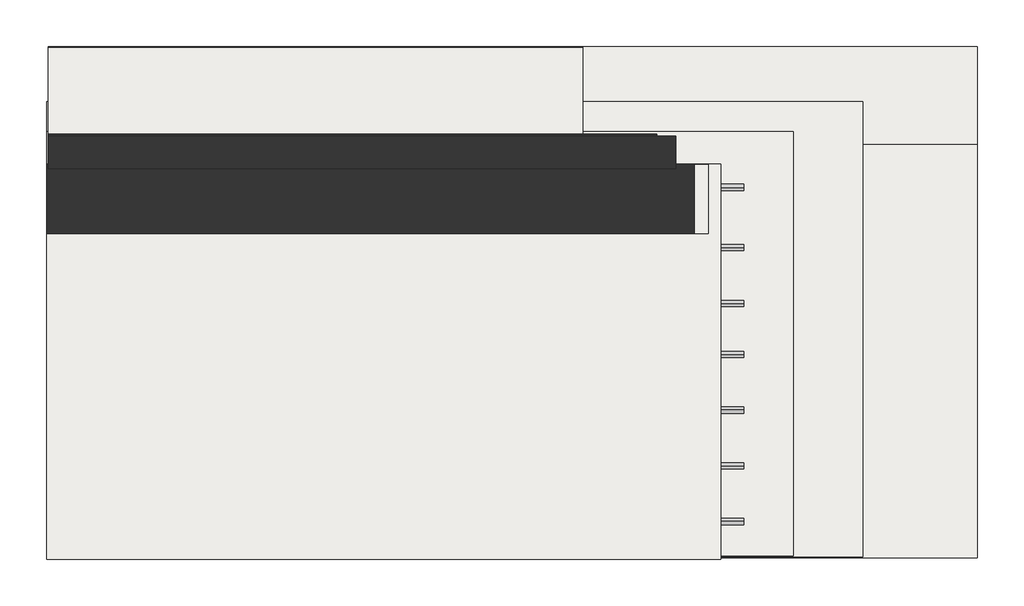
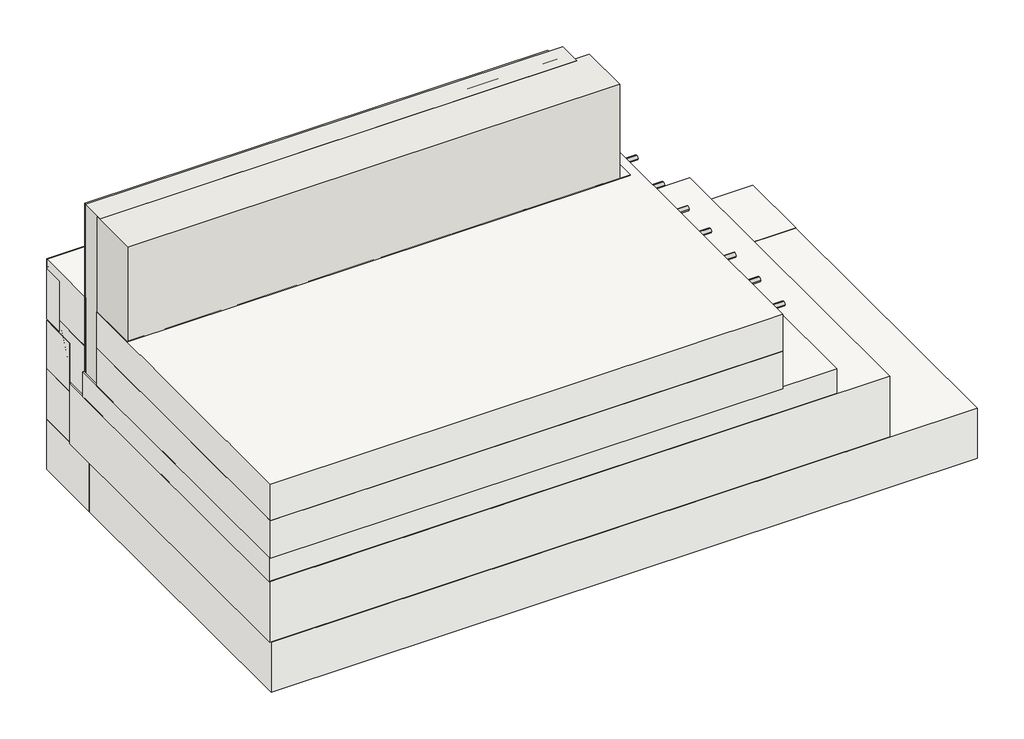
# One storey: 12 slabs, 7 pipe segments, 3 walls, 1 covering.
"""IFC4 building model written with IfcOpenShell, lengths in millimetres."""

from ifc_helpers import new_model, si_unit, point, frame, frame_2d, origin, origin_with_axes, place, context, project, spatial, polyline, circle_curve, trimmed, segment, composite_curve, outline, extrude, faceted_brep, element, save
from ifc_brep_helpers import plane_surface, spline_surface, advanced_brep

model = new_model("IFC4")

# Units and contexts
model_context = context("Model", 3, world=origin())
ifc_project = project(units=[si_unit("LENGTHUNIT", "METRE", prefix="MILLI")], contexts=[model_context])

# Site, building, storey
site = spatial("IfcSite", under=ifc_project)
building = spatial("IfcBuilding", under=site)
storey = spatial("IfcBuildingStorey", under=building, Elevation=0.0)

# Covering
placement = place(None, origin())
element("IfcCovering", 1, at=placement, inside=storey, context=model_context, shape_type="SweptSolid", body=[
    extrude(outline(polyline([(-19912.9443313, 1078.3877949), (-19912.9443313, 1375.4120749), (-17072.9443313, 1375.4120749), (-17072.9443313, 1078.3877949), (-19912.9443313, 1078.3877949)])), frame((0.0, 0.0, 902.0), z_axis=(0.0, 0.0, 1.0), x_axis=(1.0, 0.0, 0.0)), (0.0, 0.0, 1.0), 57.0),
])

# Pipe segments
element("IfcPipeSegment", 2, at=placement, inside=storey, context=model_context, shape_type="SweptSolid", body=[
    extrude(outline(composite_curve([segment(trimmed(circle_curve(frame_2d((-161.9282434, 886.7937383)), 13.335), [point((-148.5932434, 886.7937383))], [point((-161.9282434, 873.4587383))], False, "CARTESIAN"), True, "CONTINUOUS"), segment(trimmed(circle_curve(frame_2d((-161.9282434, 886.7937383)), 13.335), [point((-161.9282434, 873.4587383))], [point((-175.2632434, 886.7937383))], False, "CARTESIAN"), True, "CONTINUOUS"), segment(trimmed(circle_curve(frame_2d((-161.9282434, 886.7937383)), 13.335), [point((-175.2632434, 886.7937383))], [point((-161.9282434, 900.1287383))], False, "CARTESIAN"), True, "CONTINUOUS"), segment(trimmed(circle_curve(frame_2d((-161.9282434, 886.7937383)), 13.335), [point((-161.9282434, 900.1287383))], [point((-148.5932434, 886.7937383))], False, "CARTESIAN"), True, "CONTINUOUS")], self_intersect=False)), frame((-17139.8329252, 0.0, 0.0), z_axis=(1.0, 0.0, 0.0), x_axis=(0.0, 1.0, 0.0)), (0.0, 0.0, 1.0), 220.0),
])
element("IfcPipeSegment", 3, at=placement, inside=storey, context=model_context, shape_type="SweptSolid", body=[
    extrude(outline(composite_curve([segment(trimmed(circle_curve(frame_2d((78.0717566, 886.7937383)), 13.335), [point((91.4067566, 886.7937383))], [point((78.0717566, 873.4587383))], False, "CARTESIAN"), True, "CONTINUOUS"), segment(trimmed(circle_curve(frame_2d((78.0717566, 886.7937383)), 13.335), [point((78.0717566, 873.4587383))], [point((64.7367566, 886.7937383))], False, "CARTESIAN"), True, "CONTINUOUS"), segment(trimmed(circle_curve(frame_2d((78.0717566, 886.7937383)), 13.335), [point((64.7367566, 886.7937383))], [point((78.0717566, 900.1287383))], False, "CARTESIAN"), True, "CONTINUOUS"), segment(trimmed(circle_curve(frame_2d((78.0717566, 886.7937383)), 13.335), [point((78.0717566, 900.1287383))], [point((91.4067566, 886.7937383))], False, "CARTESIAN"), True, "CONTINUOUS")], self_intersect=False)), frame((-17139.8329252, 0.0, 0.0), z_axis=(1.0, 0.0, 0.0), x_axis=(0.0, 1.0, 0.0)), (0.0, 0.0, 1.0), 220.0),
])
element("IfcPipeSegment", 4, at=placement, inside=storey, context=model_context, shape_type="SweptSolid", body=[
    extrude(outline(composite_curve([segment(trimmed(circle_curve(frame_2d((318.0717566, 886.7937383)), 13.335), [point((331.4067566, 886.7937383))], [point((318.0717566, 873.4587383))], False, "CARTESIAN"), True, "CONTINUOUS"), segment(trimmed(circle_curve(frame_2d((318.0717566, 886.7937383)), 13.335), [point((318.0717566, 873.4587383))], [point((304.7367566, 886.7937383))], False, "CARTESIAN"), True, "CONTINUOUS"), segment(trimmed(circle_curve(frame_2d((318.0717566, 886.7937383)), 13.335), [point((304.7367566, 886.7937383))], [point((318.0717566, 900.1287383))], False, "CARTESIAN"), True, "CONTINUOUS"), segment(trimmed(circle_curve(frame_2d((318.0717566, 886.7937383)), 13.335), [point((318.0717566, 900.1287383))], [point((331.4067566, 886.7937383))], False, "CARTESIAN"), True, "CONTINUOUS")], self_intersect=False)), frame((-17139.8329252, 0.0, 0.0), z_axis=(1.0, 0.0, 0.0), x_axis=(0.0, 1.0, 0.0)), (0.0, 0.0, 1.0), 220.0),
])
element("IfcPipeSegment", 5, at=placement, inside=storey, context=model_context, shape_type="SweptSolid", body=[
    extrude(outline(composite_curve([segment(trimmed(circle_curve(frame_2d((558.0717566, 886.7937383)), 13.335), [point((571.4067566, 886.7937383))], [point((558.0717566, 873.4587383))], False, "CARTESIAN"), True, "CONTINUOUS"), segment(trimmed(circle_curve(frame_2d((558.0717566, 886.7937383)), 13.335), [point((558.0717566, 873.4587383))], [point((544.7367566, 886.7937383))], False, "CARTESIAN"), True, "CONTINUOUS"), segment(trimmed(circle_curve(frame_2d((558.0717566, 886.7937383)), 13.335), [point((544.7367566, 886.7937383))], [point((558.0717566, 900.1287383))], False, "CARTESIAN"), True, "CONTINUOUS"), segment(trimmed(circle_curve(frame_2d((558.0717566, 886.7937383)), 13.335), [point((558.0717566, 900.1287383))], [point((571.4067566, 886.7937383))], False, "CARTESIAN"), True, "CONTINUOUS")], self_intersect=False)), frame((-17139.8329252, 0.0, 0.0), z_axis=(1.0, 0.0, 0.0), x_axis=(0.0, 1.0, 0.0)), (0.0, 0.0, 1.0), 220.0),
])
element("IfcPipeSegment", 6, at=placement, inside=storey, context=model_context, shape_type="SweptSolid", body=[
    extrude(outline(composite_curve([segment(trimmed(circle_curve(frame_2d((778.0717566, 886.7937383)), 13.335), [point((791.4067566, 886.7937383))], [point((778.0717566, 873.4587383))], False, "CARTESIAN"), True, "CONTINUOUS"), segment(trimmed(circle_curve(frame_2d((778.0717566, 886.7937383)), 13.335), [point((778.0717566, 873.4587383))], [point((764.7367566, 886.7937383))], False, "CARTESIAN"), True, "CONTINUOUS"), segment(trimmed(circle_curve(frame_2d((778.0717566, 886.7937383)), 13.335), [point((764.7367566, 886.7937383))], [point((778.0717566, 900.1287383))], False, "CARTESIAN"), True, "CONTINUOUS"), segment(trimmed(circle_curve(frame_2d((778.0717566, 886.7937383)), 13.335), [point((778.0717566, 900.1287383))], [point((791.4067566, 886.7937383))], False, "CARTESIAN"), True, "CONTINUOUS")], self_intersect=False)), frame((-17139.8329252, 0.0, 0.0), z_axis=(1.0, 0.0, 0.0), x_axis=(0.0, 1.0, 0.0)), (0.0, 0.0, 1.0), 220.0),
])
element("IfcPipeSegment", 7, at=placement, inside=storey, context=model_context, shape_type="SweptSolid", body=[
    extrude(outline(composite_curve([segment(trimmed(circle_curve(frame_2d((1018.0717566, 886.7937383)), 13.335), [point((1031.4067566, 886.7937383))], [point((1018.0717566, 873.4587383))], False, "CARTESIAN"), True, "CONTINUOUS"), segment(trimmed(circle_curve(frame_2d((1018.0717566, 886.7937383)), 13.335), [point((1018.0717566, 873.4587383))], [point((1004.7367566, 886.7937383))], False, "CARTESIAN"), True, "CONTINUOUS"), segment(trimmed(circle_curve(frame_2d((1018.0717566, 886.7937383)), 13.335), [point((1004.7367566, 886.7937383))], [point((1018.0717566, 900.1287383))], False, "CARTESIAN"), True, "CONTINUOUS"), segment(trimmed(circle_curve(frame_2d((1018.0717566, 886.7937383)), 13.335), [point((1018.0717566, 900.1287383))], [point((1031.4067566, 886.7937383))], False, "CARTESIAN"), True, "CONTINUOUS")], self_intersect=False)), frame((-17139.8329252, 0.0, 0.0), z_axis=(1.0, 0.0, 0.0), x_axis=(0.0, 1.0, 0.0)), (0.0, 0.0, 1.0), 220.0),
])
element("IfcPipeSegment", 8, at=placement, inside=storey, context=model_context, shape_type="SweptSolid", body=[
    extrude(outline(composite_curve([segment(trimmed(circle_curve(frame_2d((1278.0717566, 886.7937383)), 13.335), [point((1291.4067566, 886.7937383))], [point((1278.0717566, 873.4587383))], False, "CARTESIAN"), True, "CONTINUOUS"), segment(trimmed(circle_curve(frame_2d((1278.0717566, 886.7937383)), 13.335), [point((1278.0717566, 873.4587383))], [point((1264.7367566, 886.7937383))], False, "CARTESIAN"), True, "CONTINUOUS"), segment(trimmed(circle_curve(frame_2d((1278.0717566, 886.7937383)), 13.335), [point((1264.7367566, 886.7937383))], [point((1278.0717566, 900.1287383))], False, "CARTESIAN"), True, "CONTINUOUS"), segment(trimmed(circle_curve(frame_2d((1278.0717566, 886.7937383)), 13.335), [point((1278.0717566, 900.1287383))], [point((1291.4067566, 886.7937383))], False, "CARTESIAN"), True, "CONTINUOUS")], self_intersect=False)), frame((-17139.8329252, 0.0, 0.0), z_axis=(1.0, 0.0, 0.0), x_axis=(0.0, 1.0, 0.0)), (0.0, 0.0, 1.0), 220.0),
])

# Slabs
element("IfcSlab", 9, at=placement, inside=storey, context=model_context, shape_type="SweptSolid", body=[
    extrude(outline(polyline([(-15912.8443338, -318.3267269), (-19913.0443288, -318.3267269), (-19913.0443288, 1461.6732731), (-15912.8443338, 1461.6732731), (-15912.8443338, -318.3267269)])), frame((0.0, 0.0, -300.0), z_axis=(0.0, 0.0, 1.0), x_axis=(1.0, 0.0, 0.0)), (0.0, 0.0, 1.0), 300.0),
])
element("IfcSlab", 10, at=placement, inside=storey, context=model_context, shape_type="AdvancedBrep", body=[
    advanced_brep(
    [(-17612.9443313, 1464.9960141, -300.0), (-17612.9443313, 1464.9960141, 0.0), (-19911.4859544, 1464.9960141, 0.0), (-19911.4859544, 1464.9960141, -300.0), (-19911.4859544, 1884.9960141, 960.0), (-19911.4859544, 1884.9960141, 660.0), (-17612.9443313, 1884.9960141, 965.9460662), (-17612.9443313, 1884.9960141, 665.9460662)],
    [
        (0, 1),
        (1, 2),
        (2, 3),
        (3, 0),
        (2, 4),
        (4, 5),
        (5, 3),
        (4, 6),
        (6, 7),
        (7, 5),
        (6, 1),
        (0, 7),
    ],
    [
        plane_surface(frame((-17612.9443313, 1464.9960141, -300.0), z_axis=(0.0, -1.0, 0.0), x_axis=(0.0, 0.0, 1.0))),
        plane_surface(frame((-19911.4859544, 1464.9960141, -300.0), z_axis=(-1.0, 0.0, 0.0), x_axis=(0.0, 0.0, 1.0))),
        plane_surface(frame((-19911.4859544, 1884.9960141, -300.0), z_axis=(0.0, 1.0, 0.0), x_axis=(0.0, 0.0, 1.0))),
        plane_surface(frame((-17612.9443313, 1884.9960141, -300.0), z_axis=(1.0, 0.0, 0.0), x_axis=(0.0, 0.0, 1.0))),
        spline_surface(1, 1, [[(-19911.4859544, 1884.9960141, 960.0), (-17612.9443313, 1884.9960141, 965.9460662)], [(-19911.4859544, 1464.9960141, 0.0), (-17612.9443313, 1464.9960141, 0.0)]], [2, 2], [2, 2], [0.0, 1.0], [0.0, 1.0]),
        spline_surface(1, 1, [[(-19911.4859544, 1884.9960141, 660.0), (-19911.4859544, 1464.9960141, -300.0)], [(-17612.9443313, 1884.9960141, 665.9460662), (-17612.9443313, 1464.9960141, -300.0)]], [2, 2], [2, 2], [0.0, 1.0], [0.0, 1.0]),
    ],
    [
        (0, [[1, 2, 3, 4]]),
        (1, [[-3, 5, 6, 7]]),
        (2, [[-6, 8, 9, 10]]),
        (3, [[-9, 11, -1, 12]]),
        (4, [[-8, -5, -2, -11]]),
        (5, [[-12, -4, -7, -10]]),
    ],
),
])
element("IfcSlab", 11, at=placement, inside=storey, context=model_context, shape_type="SweptSolid", body=[
    extrude(outline(polyline([(-19912.9443313, 1464.9960141), (-19912.9443313, 1884.9960141), (-15912.9443313, 1884.9960141), (-15912.9443313, 1464.9960141), (-19912.9443313, 1464.9960141)])), frame((0.0, 0.0, -300.0), z_axis=(0.0, 0.0, 1.0), x_axis=(1.0, 0.0, 0.0)), (0.0, 0.0, 1.0), 300.0),
])
element("IfcSlab", 12, at=placement, inside=storey, context=model_context, shape_type="SweptSolid", body=[
    extrude(outline(polyline([(-17612.9443313, 1761.9190911), (-19912.9443313, 1761.9190911), (-19912.9443313, 1884.9960141), (-17612.9443313, 1884.9960141), (-17612.9443313, 1761.9190911)])), frame((0.0, 0.0, 600.0), z_axis=(0.0, 0.0, 1.0), x_axis=(1.0, 0.0, 0.0)), (0.0, 0.0, 1.0), 300.0),
])
element("IfcSlab", 13, at=placement, inside=storey, context=model_context, shape_type="SweptSolid", body=[
    extrude(outline(polyline([(-16406.2745506, -314.9257544), (-19919.6141119, -314.9257544), (-19919.6141119, 1647.3292404), (-16406.2745506, 1647.3292404), (-16406.2745506, -314.9257544)])), origin_with_axes(), (0.0, 0.0, 1.0), 362.0),
])
element("IfcSlab", 14, at=placement, inside=storey, context=model_context, shape_type="SweptSolid", body=[
    extrude(outline(polyline([(-16705.6519655, -310.6118554), (-19920.236697, -310.6118554), (-19920.236697, 1518.0717566), (-16705.6519655, 1518.0717566), (-16705.6519655, -310.6118554)])), frame((0.0, 0.0, 360.0), z_axis=(0.0, 0.0, 1.0), x_axis=(1.0, 0.0, 0.0)), (0.0, 0.0, 1.0), 150.0),
])
element("IfcSlab", 15, at=placement, inside=storey, context=model_context, shape_type="SweptSolid", body=[
    extrude(outline(polyline([(-19912.9443313, 1608.0717566), (-19912.9443313, 1884.709299), (-17612.9443313, 1884.709299), (-17612.9443313, 1608.0717566), (-19912.9443313, 1608.0717566)])), frame((0.0, 0.0, 2.0), z_axis=(0.0, 0.0, 1.0), x_axis=(1.0, 0.0, 0.0)), (0.0, 0.0, 1.0), 300.0),
])
element("IfcSlab", 16, at=placement, inside=storey, context=model_context, shape_type="SweptSolid", body=[
    extrude(outline(polyline([(-19912.9443313, 1657.3292404), (-19912.9443313, 1884.9960141), (-17612.9443313, 1884.9960141), (-17612.9443313, 1657.3292404), (-19912.9443313, 1657.3292404)])), frame((0.0, 0.0, 292.5829854), z_axis=(0.0, 0.0, 1.0), x_axis=(1.0, 0.0, 0.0)), (0.0, 0.0, 1.0), 300.0),
])
element("IfcSlab", 17, at=placement, inside=storey, context=model_context, shape_type="SweptSolid", body=[
    extrude(outline(polyline([(-19912.9443313, 1498.0717566), (-19912.9443313, 1825.7640642), (-17612.9443313, 1825.7640642), (-17612.9443313, 1498.0717566), (-19912.9443313, 1498.0717566)])), frame((0.0, 0.0, 366.2474743), z_axis=(0.0, 0.0, 1.0), x_axis=(1.0, 0.0, 0.0)), (0.0, 0.0, 1.0), 300.0),
])
element("IfcSlab", 18, at=placement, inside=storey, context=model_context, shape_type="SweptSolid", body=[
    extrude(outline(polyline([(-19912.9443313, 1498.0717566), (-19912.9443313, 1880.166432), (-17612.9443313, 1880.166432), (-17612.9443313, 1498.0717566), (-19912.9443313, 1498.0717566)])), frame((0.0, 0.0, 660.0), z_axis=(0.0, 0.0, 1.0), x_axis=(1.0, 0.0, 0.0)), (0.0, 0.0, 1.0), 300.0),
])
element("IfcSlab", 19, at=placement, inside=storey, context=model_context, shape_type="SweptSolid", body=[
    extrude(outline(polyline([(-17017.7771422, -323.7334546), (-19921.2233707, -323.7334546), (-19921.2233707, 1378.0717566), (-17017.7771422, 1378.0717566), (-17017.7771422, -323.7334546)])), frame((0.0, 0.0, 508.4174424), z_axis=(0.0, 0.0, 1.0), x_axis=(1.0, 0.0, 0.0)), (0.0, 0.0, 1.0), 225.0),
])
element("IfcSlab", 20, at=placement, inside=storey, context=model_context, shape_type="SweptSolid", body=[
    extrude(outline(polyline([(-17017.7771422, -323.7334546), (-19921.2233707, -323.7334546), (-19921.2233707, 1378.0717566), (-17017.7771422, 1378.0717566), (-17017.7771422, -323.7334546)])), frame((0.0, 0.0, 728.4174424), z_axis=(0.0, 0.0, 1.0), x_axis=(1.0, 0.0, 0.0)), (0.0, 0.0, 1.0), 225.0),
])

# Walls
element("IfcWall", 21, at=placement, inside=storey, context=model_context, shape_type="Brep", body=[
    faceted_brep([(-17212.9443313, 1498.0717566, 362.0), (-19912.9443313, 1498.0717566, 362.0), (-19912.9443313, 1498.0717566, 366.2474743), (-19912.9443313, 1498.0717566, 660.0), (-19912.9443313, 1498.0717566, 666.2474743), (-19912.9443313, 1498.0717566, 960.0), (-19912.9443313, 1498.0717566, 1520.0), (-17212.9443313, 1498.0717566, 1520.0), (-17212.9443313, 1358.0717566, 362.0), (-17212.9443313, 1358.0717566, 1520.0), (-19912.9443313, 1358.0717566, 1520.0), (-19912.9443313, 1358.0717566, 362.0)], [[[0, 1, 2, 3, 4, 5, 6, 7]], [[8, 9, 10, 11]], [[1, 0, 8, 11]], [[6, 5, 4, 3, 2, 1, 11, 10]], [[7, 6, 10, 9]], [[0, 7, 9, 8]]]),
])
element("IfcWall", 22, at=placement, inside=storey, context=model_context, shape_type="SweptSolid", body=[
    extrude(outline(polyline([(-19912.9443313, 1508.0717566), (-17292.9443313, 1508.0717566), (-17292.9443313, 1418.0717566), (-19912.9443313, 1418.0717566), (-19912.9443313, 1508.0717566)])), frame((0.0, 0.0, 362.0), z_axis=(0.0, 0.0, 1.0), x_axis=(1.0, 0.0, 0.0)), (0.0, 0.0, 1.0), 1158.0),
])
element("IfcWall", 23, at=placement, inside=storey, context=model_context, shape_type="SweptSolid", body=[
    extrude(outline(polyline([(-19919.5002565, 1378.0717566), (-17132.9443313, 1378.0717566), (-17132.9443313, 1078.0717566), (-19919.5002565, 1078.0717566), (-19919.5002565, 1378.0717566)])), frame((0.0, 0.0, 953.4174424), z_axis=(0.0, 0.0, 1.0), x_axis=(1.0, 0.0, 0.0)), (0.0, 0.0, 1.0), 566.5825576),
])

save(model, "model.ifc")
